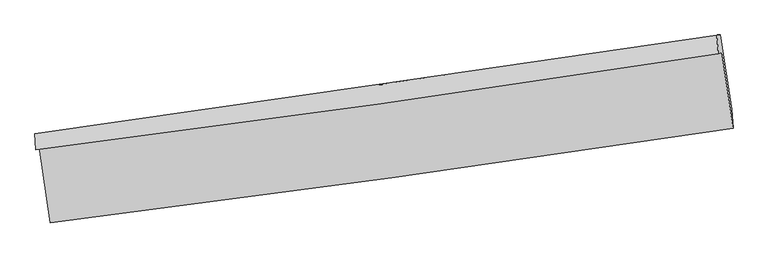
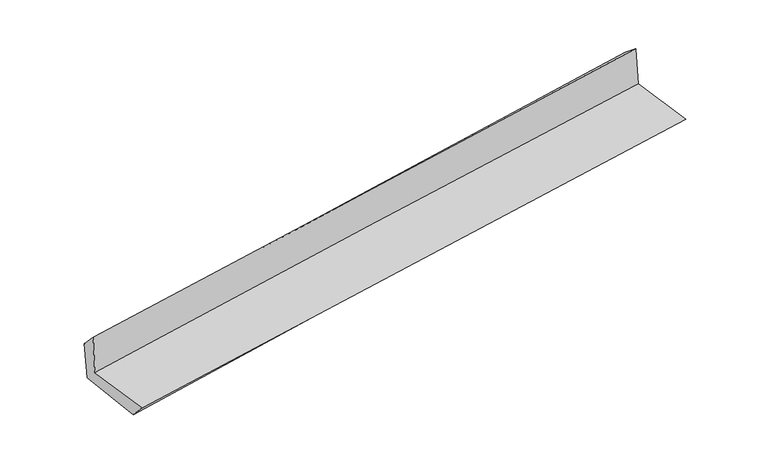
"""IFC4 building model written with IfcOpenShell, lengths in millimetres: proxy geometry."""

from ifc_helpers import new_model, si_unit, frame, origin, place, context, project, spatial, source, transform, mapped, element, save
from ifc_brep_helpers import plane_surface, spline_curve, spline_surface, advanced_brep


def generic_models_d840c6a3(model_context):
    return source(origin(), model_context, "Body", "AdvancedBrep", [
        advanced_brep(
        [(-3001.3062242, -1908.9040529, 1654.3527149), (-2903.8256582, -2568.0643597, 1646.4258515), (3049.797616, -1742.0645044, 2131.6263275), (2951.8302254, -1082.4800705, 2144.6388453), (-3031.4333447, -1930.8693448, 2053.9118104), (2920.797964, -1094.8528311, 2538.1622779), (-3039.1299539, -1791.3498828, 1900.6178167), (2908.0811344, -933.7959768, 2407.1114635), (-3008.2216948, -1788.8476981, 1525.9479624), (2938.9799563, -928.8370887, 2028.2318927), (-2911.4245275, -2426.7725309, 1488.8423539), (3036.5732096, -1575.7885049, 1997.4725429)],
        [
            (0, 1),
            (1, 2, spline_curve(3, [(-2903.8256582, -2568.0643597, 1646.4258515), (-1910.582949957, -2444.301320686, 1739.856408846), (-917.815986342, -2313.584899331, 1827.005772665), (1066.725065634, -2038.25103426, 1988.738740651), (2058.499193012, -1893.634170396, 2063.322868929), (3049.797616, -1742.0645044, 2131.6263275)], [4, 2, 4], [0.0, 9.8929298370546, 19.785447055547564])),
            (2, 3),
            (3, 0, spline_curve(3, [(2951.8302254, -1082.4800705, 2144.6388453), (1959.945900933, -1234.284729945, 2083.767713725), (967.919383595, -1379.054435111, 2012.476039697), (-1016.459421119, -1654.529683029, 1849.048198873), (-2008.811720219, -1785.234638265, 1756.911162693), (-3001.3062242, -1908.9040529, 1654.3527149)], [4, 2, 4], [0.0, 9.892517218492964, 19.785447055547564])),
            (4, 0),
            (3, 5),
            (5, 4, spline_curve(3, [(2920.797964, -1094.8528311, 2538.1622779), (1929.646416513, -1248.744988888, 2472.185934116), (938.061720277, -1395.357809461, 2398.844551717), (-1046.015346709, -1674.030587962, 2237.428343604), (-2038.507753454, -1806.089938429, 2149.352903474), (-3031.4333447, -1930.8693448, 2053.9118104)], [4, 2, 4], [0.0, 9.89252206004433, 19.78545673885224])),
            (6, 4),
            (5, 7),
            (7, 6, spline_curve(3, [(2908.0811344, -933.7959768, 2407.1114635), (1916.760571049, -1078.370015114, 2326.763859377), (925.509699305, -1222.118386497, 2244.383176021), (-1056.894002639, -1507.969757434, 2075.552130266), (-2048.046827056, -1650.072687971, 1989.101597748), (-3039.1299539, -1791.3498828, 1900.6178167)], [4, 2, 4], [0.0, 9.89181212672569, 19.78403684260352])),
            (8, 6),
            (7, 9),
            (9, 8, spline_curve(3, [(2938.9799563, -928.8370887, 2028.2318927), (1947.660137295, -1074.639791795, 1950.037305419), (956.41042435, -1219.20722534, 1869.083948182), (-1025.990131618, -1505.877531268, 1701.656201571), (-2017.140969292, -1647.98030119, 1615.181582021), (-3008.2216948, -1788.8476981, 1525.9479624)], [4, 2, 4], [0.0, 9.8916031618605, 19.78361890415718])),
            (10, 8),
            (9, 11),
            (11, 10, spline_curve(3, [(3036.5732096, -1575.7885049, 1997.4725429), (2044.317383029, -1713.532568344, 1916.311069366), (1052.533318932, -1853.31841398, 1833.345405041), (-930.132632735, -2136.979585674, 1663.802159394), (-1921.014480997, -2280.855081851, 1577.224427208), (-2911.4245275, -2426.7725309, 1488.8423539)], [4, 2, 4], [0.0, 9.89161241890924, 19.783637418640772])),
            (1, 10),
            (11, 2),
        ],
        [
            spline_surface(3, 3, [[(-3001.3062242, -1908.9040529, 1654.3527149), (-2008.811720216, -1785.234638368, 1756.911162678), (-1016.459421093, -1654.52968291, 1849.048198874), (967.919383569, -1379.05443523, 2012.476039696), (1959.945900998, -1234.284729907, 2083.76771365), (2951.8302254, -1082.4800705, 2144.6388453)], [(-2968.812702209, -2128.62415518, 1651.710427079), (-1976.068796817, -2004.923532462, 1751.226244696), (-983.578276119, -1874.214755035, 1841.70072347), (1000.854610897, -1598.786634871, 2004.56360671), (1992.79699838, -1454.067876747, 2076.952765386), (2984.486022276, -1302.341548473, 2140.301339377)], [(-2936.319180191, -2348.34425742, 1649.068139321), (-1943.32587339, -2224.612426516, 1745.541326777), (-950.69713119, -2093.899827237, 1834.353248023), (1033.78983818, -1818.518834588, 1996.651173682), (2025.648095734, -1673.851023568, 2070.137817089), (3017.141819124, -1522.203026427, 2135.963833423)], [(-2903.8256582, -2568.0643597, 1646.4258515), (-1910.582949991, -2444.30132061, 1739.856408794), (-917.815986216, -2313.584899362, 1827.005772619), (1066.725065508, -2038.251034229, 1988.738740696), (2058.499193116, -1893.634170409, 2063.322868825), (3049.797616, -1742.0645044, 2131.6263275)]], [4, 4], [4, 2, 4], [0.0, 2.1878982351115455], [0.0, 9.8929298370546, 19.785447055547564]),
            spline_surface(3, 3, [[(-3031.4333447, -1930.8693448, 2053.9118104), (-2038.507753308, -1806.089938562, 2149.352903474), (-1046.015346597, -1674.030587949, 2237.428343608), (938.061720166, -1395.357809474, 2398.844551713), (1929.646416361, -1248.744988822, 2472.185934056), (2920.797964, -1094.8528311, 2538.1622779)], [(-3021.390971179, -1923.547580838, 1920.725445242), (-2028.60907559, -1799.138171835, 2018.538989884), (-1036.163371431, -1667.530286296, 2107.968295357), (948.014274631, -1389.92335142, 2270.055047701), (1939.746244587, -1243.924902496, 2342.713193909), (2931.142051148, -1090.728577546, 2406.987800355)], [(-3011.348597721, -1916.225816862, 1787.539080058), (-2018.710397934, -1792.186405095, 1887.725076269), (-1026.311396259, -1661.029984563, 1978.508247125), (957.966829103, -1384.488893285, 2141.265543708), (1949.846072771, -1239.104816233, 2213.240453798), (2941.486138252, -1086.604324054, 2275.813322845)], [(-3001.3062242, -1908.9040529, 1654.3527149), (-2008.811720216, -1785.234638368, 1756.911162678), (-1016.459421093, -1654.52968291, 1849.048198874), (967.919383569, -1379.05443523, 2012.476039696), (1959.945900998, -1234.284729907, 2083.76771365), (2951.8302254, -1082.4800705, 2144.6388453)]], [4, 4], [4, 2, 4], [0.0, 1.2759974060306931], [0.0, 9.89293467880791, 19.78545673885224]),
            spline_surface(3, 3, [[(-3039.1299539, -1791.3498828, 1900.6178167), (-2048.046827078, -1650.072687872, 1989.101597825), (-1056.89400263, -1507.969757405, 2075.552130149), (925.509699296, -1222.118386525, 2244.383176139), (1916.760570924, -1078.370014996, 2326.763859428), (2908.0811344, -933.7959768, 2407.1114635)], [(-3036.564417505, -1837.856370122, 1951.715814607), (-2044.867135826, -1702.078438091, 2042.518699715), (-1053.267783972, -1563.323367582, 2129.510867988), (929.693706233, -1279.864860837, 2295.870301349), (1921.055852716, -1135.161672945, 2375.237884329), (2912.32007758, -987.481594907, 2450.795068325)], [(-3033.998881095, -1884.362857478, 2002.813812493), (-2041.68744456, -1754.084188343, 2095.935801584), (-1049.641565255, -1618.676977772, 2183.46960577), (933.877713229, -1337.611335162, 2347.357426503), (1925.351134568, -1191.953330872, 2423.711909155), (2916.55902082, -1041.167212993, 2494.478673075)], [(-3031.4333447, -1930.8693448, 2053.9118104), (-2038.507753308, -1806.089938562, 2149.352903474), (-1046.015346597, -1674.030587949, 2237.428343608), (938.061720166, -1395.357809474, 2398.844551713), (1929.646416361, -1248.744988822, 2472.185934056), (2920.797964, -1094.8528311, 2538.1622779)]], [4, 4], [4, 2, 4], [0.0, 0.7619448136905415], [0.0, 9.89222471587783, 19.78403684260352]),
            spline_surface(3, 3, [[(-3008.2216948, -1788.8476981, 1525.9479624), (-2017.140969205, -1647.980301091, 1615.181582128), (-1025.990131736, -1505.877531398, 1701.656201564), (956.410424468, -1219.20722521, 1869.083948189), (1947.660137388, -1074.639791782, 1950.037305519), (2938.9799563, -928.8370887, 2028.2318927)], [(-3018.52444784, -1789.681759684, 1650.837913827), (-2027.442921835, -1648.677763369, 1739.821587354), (-1036.291422013, -1506.574940055, 1826.288177742), (946.110182765, -1220.177612303, 1994.183690822), (1937.360281917, -1075.883199541, 2075.612823475), (2928.680349017, -930.490051422, 2154.525082953)], [(-3028.82720086, -1790.515821216, 1775.727865273), (-2037.744874447, -1649.375225594, 1864.461592599), (-1046.592712353, -1507.272348748, 1950.920153971), (935.809940999, -1221.147999432, 2119.283433506), (1927.060426394, -1077.126607236, 2201.188341472), (2918.380741683, -932.143014078, 2280.818273247)], [(-3039.1299539, -1791.3498828, 1900.6178167), (-2048.046827078, -1650.072687872, 1989.101597825), (-1056.89400263, -1507.969757405, 2075.552130149), (925.509699296, -1222.118386525, 2244.383176139), (1916.760570924, -1078.370014996, 2326.763859428), (2908.0811344, -933.7959768, 2407.1114635)]], [4, 4], [4, 2, 4], [0.0, 1.2331966867499617], [0.0, 9.89201574229668, 19.78361890415718]),
            spline_surface(3, 3, [[(-2911.4245275, -2426.7725309, 1488.8423539), (-1921.01448093, -2280.855081934, 1577.224427207), (-930.132632771, -2136.979585669, 1663.802159301), (1052.533318968, -1853.318413985, 1833.345405134), (2044.317383141, -1713.532568278, 1916.311069355), (3036.5732096, -1575.7885049, 1997.4725429)], [(-2943.690249918, -2214.130919944, 1501.210890069), (-1953.056643673, -2069.89682163, 1589.876812183), (-962.085132432, -1926.612234253, 1676.420173403), (1020.492354129, -1641.948017734, 1845.258252834), (2012.098301211, -1500.568309431, 1927.55314807), (3004.042125154, -1360.138032818, 2007.725659493)], [(-2975.955972382, -2001.489309056, 1513.579426231), (-1985.098806462, -1858.938561395, 1602.529197152), (-994.037632076, -1716.244882814, 1689.038187462), (988.451389307, -1430.577621461, 1857.171100489), (1979.879219318, -1287.604050629, 1938.795226804), (2971.511040746, -1144.487560782, 2017.978776107)], [(-3008.2216948, -1788.8476981, 1525.9479624), (-2017.140969205, -1647.980301091, 1615.181582128), (-1025.990131736, -1505.877531398, 1701.656201564), (956.410424468, -1219.20722521, 1869.083948189), (1947.660137388, -1074.639791782, 1950.037305519), (2938.9799563, -928.8370887, 2028.2318927)]], [4, 4], [4, 2, 4], [0.0, 2.1027065044321023], [0.0, 9.892024999731532, 19.783637418640772]),
            spline_surface(3, 3, [[(-2903.8256582, -2568.0643597, 1646.4258515), (-1910.582949991, -2444.30132061, 1739.856408794), (-917.815986216, -2313.584899362, 1827.005772619), (1066.725065508, -2038.251034229, 1988.738740696), (2058.499193116, -1893.634170409, 2063.322868825), (3049.797616, -1742.0645044, 2131.6263275)], [(-2906.35861465, -2520.967083432, 1593.898018976), (-1914.060126987, -2389.819241049, 1685.645748275), (-921.921535077, -2254.716461472, 1772.604568155), (1061.99448332, -1976.606827488, 1936.940962151), (2053.771923116, -1833.600303032, 2014.318935664), (3045.389480525, -1686.639171234, 2086.908399296)], [(-2908.89157105, -2473.869807168, 1541.370186424), (-1917.537303934, -2335.337161494, 1631.435087726), (-926.027083911, -2195.84802356, 1718.203363765), (1057.263901157, -1914.962620726, 1885.143183679), (2049.044653141, -1773.566435654, 1965.315002515), (3040.981345075, -1631.213838066, 2042.190471104)], [(-2911.4245275, -2426.7725309, 1488.8423539), (-1921.01448093, -2280.855081934, 1577.224427207), (-930.132632771, -2136.979585669, 1663.802159301), (1052.533318968, -1853.318413985, 1833.345405134), (2044.317383141, -1713.532568278, 1916.311069355), (3036.5732096, -1575.7885049, 1997.4725429)]], [4, 4], [4, 2, 4], [0.0, 0.7916897476797646], [0.0, 9.892216314227733, 19.784020039653747]),
            plane_surface(frame((2967.6766843, -1226.3031627, 2207.8738917), z_axis=(0.9860271480044059, 0.14482976254004964, 0.08230919317360783), x_axis=(-0.08127637697343698, -0.013043878042594359, 0.9966062451097132))),
            plane_surface(frame((-2982.5569006, -2069.1346449, 1711.683085), z_axis=(-0.986027148004409, -0.14482976254003163, -0.0823091931736033), x_axis=(-0.146284524851683, 0.9891710345068756, 0.011895473152212304))),
        ],
        [
            (0, [[1, 2, 3, 4]]),
            (1, [[5, -4, 6, 7]]),
            (2, [[8, -7, 9, 10]]),
            (3, [[11, -10, 12, 13]]),
            (4, [[14, -13, 15, 16]]),
            (5, [[17, -16, 18, -2]]),
            (6, [[-12, -9, -6, -3, -18, -15]]),
            (7, [[-1, -5, -8, -11, -14, -17]]),
        ],
    ),
    ])


if __name__ == "__main__":
    model = new_model("IFC4")
    model_context = context("Model", 3, world=origin())
    ifc_project = project(units=[si_unit("LENGTHUNIT", "METRE", prefix="MILLI")], contexts=[model_context])
    site = spatial("IfcSite", under=ifc_project)
    building = spatial("IfcBuilding", under=site)
    placement = place(None, origin())
    generic_models_shape = generic_models_d840c6a3(model_context)
    element("IfcBuildingElementProxy", 1, Name="Generic Models", at=placement, inside=building, context=model_context, shape_type="MappedRepresentation", body=[
        mapped(generic_models_shape, transform((0.0, 0.0, 0.0), x_axis=(1.0, 0.0, 0.0), y_axis=(0.0, 1.0, 0.0), z_axis=(0.0, 0.0, 1.0))),
    ])
    save(model, "model.ifc")
